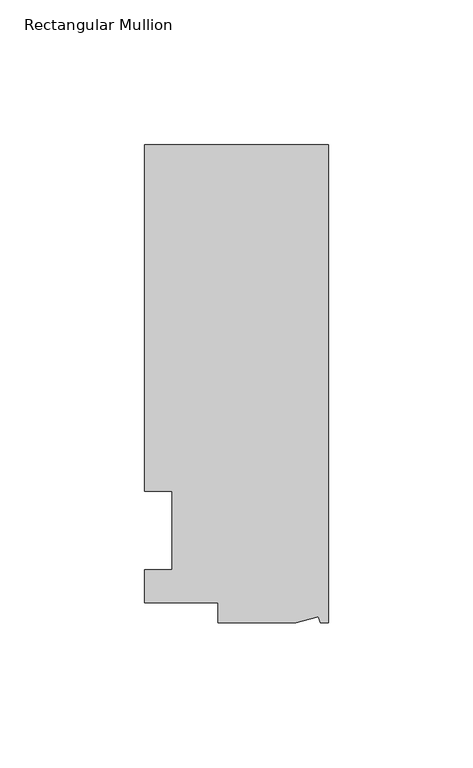
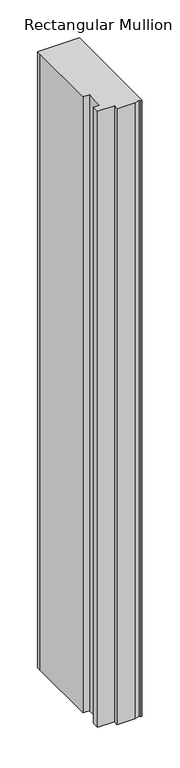
"""IFC4 building model written with IfcOpenShell, lengths in millimetres: member geometry, Rectangular Mullion."""

import ifcopenshell
import ifcopenshell.guid

model = None  # the IFC model being written
_history = None  # IfcOwnerHistory: only IFC2X3 demands one
_inside = {}  # id of a spatial element -> (the spatial element, [elements in it])
_under = {}  # id of a project, library or spatial element -> (it, [spatial elements below it])
_declared = {}  # id of a project -> (the project, [libraries it declares])
_typed = {}  # id of a type object -> (the type object, [elements of that type])
_made_of = {}  # id of a material, layer set ... -> (it, [elements and type objects made of it])


def new_model(schema):
    """Start an empty IFC model of exactly this schema.

    Asked for "IFC4X3", IfcOpenShell would pick the latest addendum, in which some entities
    have other attributes; the version numbers below select the first issue.
    IFC2X3 requires an IfcOwnerHistory on every rooted entity: one is made here for all.
    """
    global model, _history
    if schema == "IFC4X3":
        model = ifcopenshell.file(schema_version=(4, 3, 0, 0))
    else:
        model = ifcopenshell.file(schema=schema)
    _inside.clear()
    _under.clear()
    _declared.clear()
    _typed.clear()
    _made_of.clear()
    _history = None
    if model.schema == "IFC2X3":
        org = make("IfcOrganization", Name="unknown")
        user = make(
            "IfcPersonAndOrganization",
            ThePerson=make("IfcPerson", FamilyName="unknown"),
            TheOrganization=org,
        )
        app = make(
            "IfcApplication",
            ApplicationDeveloper=org,
            Version="unknown",
            ApplicationFullName="unknown",
            ApplicationIdentifier="unknown",
        )
        _history = make(
            "IfcOwnerHistory",
            OwningUser=user,
            OwningApplication=app,
            ChangeAction="ADDED",
            CreationDate=0,
        )
    return model


def make(cls, **values):
    """One entity of the class cls with the attributes given. An attribute that is None is left unset."""
    return model.create_entity(
        cls, **{name: value for name, value in values.items() if value is not None}
    )


def rooted(cls, **values):
    """An entity with a GlobalId (a new one), such as an element, a storey or a relation."""
    return make(cls, GlobalId=ifcopenshell.guid.new(), OwnerHistory=_history, **values)


def si_unit(unit_type, name, prefix=None):
    """IfcSIUnit, for example si_unit("LENGTHUNIT", "METRE", prefix="MILLI")."""
    return make("IfcSIUnit", UnitType=unit_type, Prefix=prefix, Name=name)


def assignment(units):
    """IfcUnitAssignment: the units of a project."""
    return None if units is None else make("IfcUnitAssignment", Units=units)


def point(xyz):
    """IfcCartesianPoint."""
    return None if xyz is None else make("IfcCartesianPoint", Coordinates=xyz)


def direction(xyz):
    """IfcDirection."""
    return None if xyz is None else make("IfcDirection", DirectionRatios=xyz)


def frame(location, z_axis=None, x_axis=None):
    """IfcAxis2Placement3D, a coordinate frame: its origin and axes. An axis left out is left unset."""
    return make(
        "IfcAxis2Placement3D",
        Location=point(location),
        Axis=direction(z_axis),
        RefDirection=direction(x_axis),
    )


def origin():
    """The frame at (0, 0, 0) with its axes left unset."""
    return frame((0.0, 0.0, 0.0))


def place(relative_to, where):
    """IfcLocalPlacement: puts the frame where relative to a parent placement (None: the world)."""
    return make(
        "IfcLocalPlacement", PlacementRelTo=relative_to, RelativePlacement=where
    )


def context(
    kind, dimensions, precision=None, world=None, true_north=None, identifier=None
):
    """IfcGeometricRepresentationContext, for example the 3D "Model" context."""
    return make(
        "IfcGeometricRepresentationContext",
        ContextIdentifier=identifier,
        ContextType=kind,
        CoordinateSpaceDimension=dimensions,
        Precision=precision,
        WorldCoordinateSystem=world,
        TrueNorth=true_north,
    )


def project(units=None, contexts=None):
    """IfcProject with its units and contexts."""
    return rooted(
        "IfcProject",
        Name="project",
        RepresentationContexts=contexts,
        UnitsInContext=assignment(units),
    )


def spatial(cls, under=None, at=None, **own):
    """A site, building, storey or space (cls), placed at a placement, below another one or the project."""
    s = rooted(cls, ObjectPlacement=at, **own)
    if under is not None:
        _under.setdefault(under.id(), (under, []))[1].append(s)
    return s


def polyline(points):
    """IfcPolyline through the points."""
    return make("IfcPolyline", Points=[point(p) for p in points])


def outline(outer, holes=None, kind="AREA"):
    """IfcArbitraryClosedProfileDef: a profile drawn as a closed curve; with holes, ...WithVoids."""
    if holes is None:
        return make("IfcArbitraryClosedProfileDef", ProfileType=kind, OuterCurve=outer)
    return make(
        "IfcArbitraryProfileDefWithVoids",
        ProfileType=kind,
        OuterCurve=outer,
        InnerCurves=holes,
    )


def extrude(swept, where, along, depth):
    """IfcExtrudedAreaSolid: the profile swept, set in the frame where, extruded along a direction by depth."""
    return make(
        "IfcExtrudedAreaSolid",
        SweptArea=swept,
        Position=where,
        ExtrudedDirection=direction(along),
        Depth=depth,
    )


def shape(context_of_items, identifier, shape_type, items):
    """IfcShapeRepresentation: the items that make up one representation, for example the "Body"."""
    return make(
        "IfcShapeRepresentation",
        ContextOfItems=context_of_items,
        RepresentationIdentifier=identifier,
        RepresentationType=shape_type,
        Items=items,
    )


def source(mapping_origin, context_of_items, identifier, shape_type, items):
    """IfcRepresentationMap: a shape defined once, which mapped items show again and again."""
    return make(
        "IfcRepresentationMap",
        MappingOrigin=mapping_origin,
        MappedRepresentation=shape(context_of_items, identifier, shape_type, items),
    )


def transform(
    local_origin,
    x_axis=None,
    y_axis=None,
    z_axis=None,
    scale=None,
    scale2=None,
    scale3=None,
    uniform=True,
):
    """IfcCartesianTransformationOperator3D, or its non-uniform kind. x_axis, y_axis, z_axis: its Axis1, 2, 3."""
    if uniform:
        return make(
            "IfcCartesianTransformationOperator3D",
            Axis1=direction(x_axis),
            Axis2=direction(y_axis),
            LocalOrigin=point(local_origin),
            Scale=scale,
            Axis3=direction(z_axis),
        )
    return make(
        "IfcCartesianTransformationOperator3DnonUniform",
        Axis1=direction(x_axis),
        Axis2=direction(y_axis),
        LocalOrigin=point(local_origin),
        Scale=scale,
        Axis3=direction(z_axis),
        Scale2=scale2,
        Scale3=scale3,
    )


def mapped(mapping_source, mapping_target):
    """IfcMappedItem: shows the shape of a source again, moved by a transform."""
    return make(
        "IfcMappedItem", MappingSource=mapping_source, MappingTarget=mapping_target
    )


def made_of(thing, what):
    """Note that an element or type object is made of a material, layer set ...; save() writes the relation."""
    if what is not None:
        _made_of.setdefault(what.id(), (what, []))[1].append(thing)
    return thing


def element(
    cls,
    number,
    at=None,
    inside=None,
    cuts=None,
    type_object=None,
    material=None,
    context=None,
    identifier="Body",
    shape_type=None,
    held_by="IfcProductDefinitionShape",
    body=None,
    shapes=None,
    **own,
):
    """One element of the class cls, such as IfcWall. Its Tag is "e" and its number.

    at: its placement. inside: the storey or other place that contains it. cuts: it is an
    opening in that element (IfcRelVoidsElement). A single representation is given by context,
    identifier, shape_type and body (its items); several are given by shapes. held_by: the class
    of the entity that holds the representations. save() writes the other relations.
    """
    e = rooted(cls, Tag="e%d" % number, ObjectPlacement=at, **own)
    if body is not None:
        shapes = [shape(context, identifier, shape_type, body)]
    if shapes is not None:
        e.Representation = make(held_by, Representations=shapes)
    if inside is not None:
        _inside.setdefault(inside.id(), (inside, []))[1].append(e)
    if cuts is not None:
        rooted(
            "IfcRelVoidsElement", RelatingBuildingElement=cuts, RelatedOpeningElement=e
        )
    if type_object is not None:
        _typed.setdefault(type_object.id(), (type_object, []))[1].append(e)
    return made_of(e, material)


def aggregate(whole, parts):
    """IfcRelAggregates: a whole, such as a stair, and the parts it consists of."""
    return rooted("IfcRelAggregates", RelatingObject=whole, RelatedObjects=parts)


def save(model, path):
    """Write the relations noted so far, then the file.

    IfcRelAggregates (storeys below a building ...), IfcRelContainedInSpatialStructure (elements
    in a storey), IfcRelDefinesByType, IfcRelAssociatesMaterial and IfcRelDeclares: one each for
    every whole, place, type object, material and project.
    """
    for whole, parts in _under.values():
        aggregate(whole, parts)
    for where, things in _inside.values():
        rooted(
            "IfcRelContainedInSpatialStructure",
            RelatedElements=things,
            RelatingStructure=where,
        )
    for kind, things in _typed.values():
        rooted("IfcRelDefinesByType", RelatedObjects=things, RelatingType=kind)
    for what, things in _made_of.values():
        rooted("IfcRelAssociatesMaterial", RelatedObjects=things, RelatingMaterial=what)
    for by, libraries in _declared.values():
        rooted("IfcRelDeclares", RelatingContext=by, RelatedDefinitions=libraries)
    model.write(path)


def rectangular_mullion_92b6c643(model_context):
    return source(origin(), model_context, "Body", "SweptSolid", [
        extrude(outline(polyline([(0.0, 131.0674452), (0.0, -34.0325548), (-2.7630634, -34.0325548), (-3.3223696, -31.9451957), (-11.1125, -34.0325548), (-38.1, -34.0325548), (-38.1, -27.0729548), (-63.5, -27.0729548), (-63.5, -15.6924375), (-53.975, -15.6924375), (-53.975, 11.3942812), (-63.5, 11.3942812), (-63.5, 124.7174452), (-63.5, 131.0674452), (0.0, 131.0674452)])), frame((0.0, 0.0, -990.6), z_axis=(0.0, 0.0, 1.0), x_axis=(1.0, 0.0, 0.0)), (0.0, 0.0, 1.0), 990.6),
    ])


if __name__ == "__main__":
    model = new_model("IFC4")
    model_context = context("Model", 3, world=origin())
    ifc_project = project(units=[si_unit("LENGTHUNIT", "METRE", prefix="MILLI")], contexts=[model_context])
    site = spatial("IfcSite", under=ifc_project)
    building = spatial("IfcBuilding", under=site)
    placement = place(None, origin())
    rectangular_mullion_shape = rectangular_mullion_92b6c643(model_context)
    element("IfcMember", 1, ObjectType="Rectangular Mullion", at=placement, inside=building, context=model_context, shape_type="MappedRepresentation", body=[
        mapped(rectangular_mullion_shape, transform((0.0, 0.0, 0.0), x_axis=(1.0, 0.0, 0.0), y_axis=(0.0, 1.0, 0.0), z_axis=(0.0, 0.0, 1.0))),
    ])
    save(model, "model.ifc")
